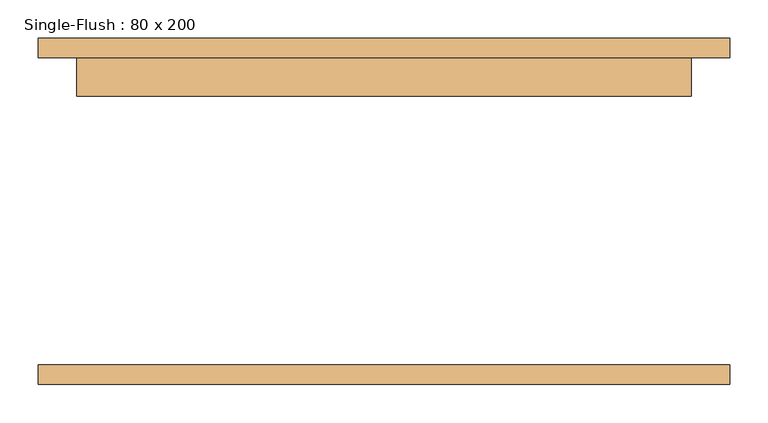
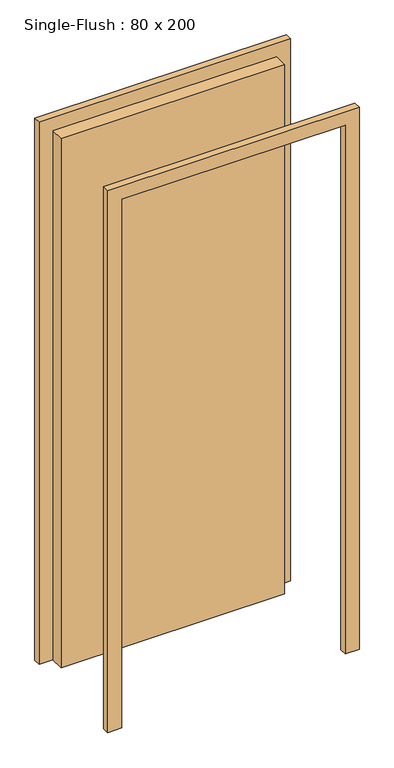
"""IFC4 building model written with IfcOpenShell, lengths in millimetres: door geometry, Single-Flush : 80 x 200."""

from ifc_helpers import new_model, si_unit, frame, origin, origin_with_axes, place, context, project, spatial, polyline, outline, extrude, source, transform, mapped, element, save


def single_flush_80_x_200_528ca496(model_context):
    return source(origin(), model_context, "Body", "SweptSolid", [
        extrude(outline(polyline([(2050.0, -450.0), (0.0, -450.0), (0.0, -400.0), (2000.0, -400.0), (2000.0, 400.0), (0.0, 400.0), (0.0, 450.0), (2050.0, 450.0), (2050.0, -450.0)])), frame((0.0, 200.0, 0.0), z_axis=(0.0, 1.0, 0.0), x_axis=(0.0, 0.0, 1.0)), (0.0, 0.0, 1.0), 25.4),
        extrude(outline(polyline([(2050.0, 450.0), (2050.0, -450.0), (0.0, -450.0), (0.0, -400.0), (2000.0, -400.0), (2000.0, 400.0), (0.0, 400.0), (0.0, 450.0), (2050.0, 450.0)])), frame((0.0, -225.4, 0.0), z_axis=(0.0, 1.0, 0.0), x_axis=(0.0, 0.0, 1.0)), (0.0, 0.0, 1.0), 25.4),
        extrude(outline(polyline([(400.0, 150.0), (-400.0, 150.0), (-400.0, 200.0), (400.0, 200.0), (400.0, 150.0)])), origin_with_axes(), (0.0, 0.0, 1.0), 2000.0),
    ])


if __name__ == "__main__":
    model = new_model("IFC4")
    model_context = context("Model", 3, world=origin())
    ifc_project = project(units=[si_unit("LENGTHUNIT", "METRE", prefix="MILLI")], contexts=[model_context])
    site = spatial("IfcSite", under=ifc_project)
    building = spatial("IfcBuilding", under=site)
    placement = place(None, origin())
    single_flush_80_x_200_shape = single_flush_80_x_200_528ca496(model_context)
    element("IfcDoor", 1, ObjectType="Single-Flush : 80 x 200", at=placement, inside=building, context=model_context, shape_type="MappedRepresentation", body=[
        mapped(single_flush_80_x_200_shape, transform((0.0, 0.0, 0.0), x_axis=(1.0, 0.0, 0.0), y_axis=(0.0, 1.0, 0.0), z_axis=(0.0, 0.0, 1.0))),
    ])
    save(model, "model.ifc")
